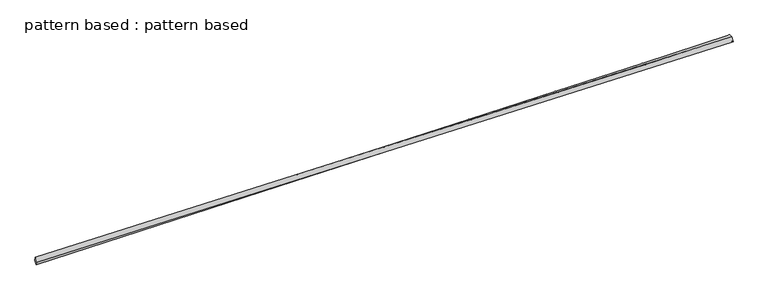
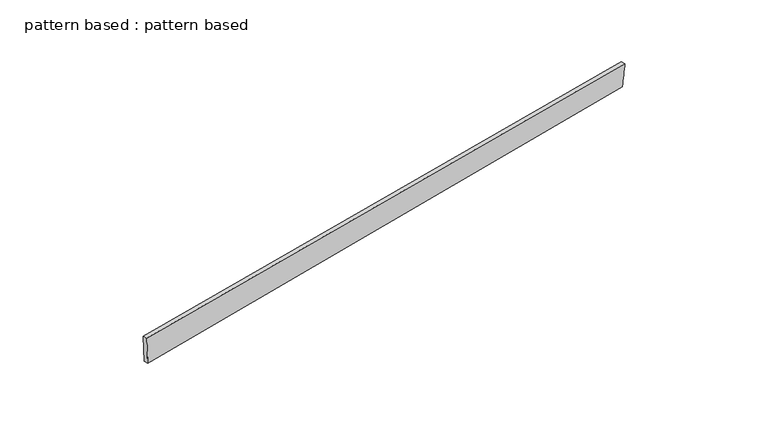
"""IFC4 building model written with IfcOpenShell, lengths in millimetres: plate geometry, pattern based : pattern based."""

from ifc_helpers import new_model, si_unit, frame, origin, place, context, project, spatial, source, transform, mapped, element, save
from ifc_brep_helpers import plane_surface, spline_surface, advanced_brep


def pattern_based_pattern_based_3a6ccaf8(model_context):
    return source(origin(), model_context, "Body", "AdvancedBrep", [
        advanced_brep(
        [(3071.7875895, 3071.7875895, 79.5759767), (3074.3331861, 3085.1066663, 228.9617931), (3066.7105927, 3108.9160827, 229.0499068), (3064.1649962, 3095.5970059, 79.6640904), (6573.5467233, 4192.9182267, 68.4921965), (6565.9241299, 4216.727643, 68.5803102), (6563.3379961, 4203.2593556, -80.8022874), (6555.7154028, 4227.068772, -80.7141737)],
        [
            (0, 1),
            (1, 2),
            (2, 3),
            (3, 0),
            (1, 4),
            (4, 5),
            (5, 2),
            (4, 6),
            (6, 7),
            (7, 5),
            (6, 0),
            (3, 7),
        ],
        [
            plane_surface(frame((3073.0603878, 3078.4471279, 154.2688849), z_axis=(-0.9514391813211243, -0.30476416243880095, 0.04338536089472214), x_axis=(0.01697064353579343, 0.08879384514707418, 0.9959054424602661))),
            plane_surface(frame((4823.9399547, 3639.0124465, 148.7269948), z_axis=(0.04266126283329706, 0.009960780257586352, 0.9990399388964029), x_axis=(0.9524537614165358, 0.3015361241607222, -0.04367834920898735))),
            plane_surface(frame((6568.4423597, 4198.0887912, -6.1550454), z_axis=(0.9514151564142905, 0.3047585529748097, -0.04394797531026419), x_axis=(-0.06805818130206412, 0.06894085947498438, -0.9952965597512663))),
            plane_surface(frame((4817.5627928, 3637.5234726, -0.6131554), z_axis=(-0.042661262833297964, -0.009960780257586644, -0.9990399388964031), x_axis=(-0.9503897042558097, -0.3079832715898113, 0.043654489636133186))),
            spline_surface(1, 1, [[(3066.7105927, 3108.9160827, 229.0499068), (3064.1649962, 3095.5970059, 79.6640904)], [(6565.9241299, 4216.727643, 68.5803102), (6555.7154028, 4227.068772, -80.7141737)]], [2, 2], [2, 2], [0.0, 1.0], [0.0, 1.0]),
            spline_surface(1, 1, [[(6563.3379961, 4203.2593556, -80.8022874), (3071.7875895, 3071.7875895, 79.5759767)], [(6573.5467233, 4192.9182267, 68.4921965), (3074.3331861, 3085.1066663, 228.9617931)]], [2, 2], [2, 2], [0.0, 1.0], [0.0, 1.0]),
        ],
        [
            (0, [[1, 2, 3, 4]]),
            (1, [[5, 6, 7, -2]]),
            (2, [[8, 9, 10, -6]]),
            (3, [[11, -4, 12, -9]]),
            (4, [[-3, -7, -10, -12]]),
            (5, [[-11, -8, -5, -1]]),
        ],
    ),
    ])


if __name__ == "__main__":
    model = new_model("IFC4")
    model_context = context("Model", 3, world=origin())
    ifc_project = project(units=[si_unit("LENGTHUNIT", "METRE", prefix="MILLI")], contexts=[model_context])
    site = spatial("IfcSite", under=ifc_project)
    building = spatial("IfcBuilding", under=site)
    placement = place(None, origin())
    pattern_based_pattern_based_shape = pattern_based_pattern_based_3a6ccaf8(model_context)
    element("IfcPlate", 1, ObjectType="pattern based : pattern based", at=placement, inside=building, context=model_context, shape_type="MappedRepresentation", body=[
        mapped(pattern_based_pattern_based_shape, transform((0.0, 0.0, 0.0), x_axis=(1.0, 0.0, 0.0), y_axis=(0.0, 1.0, 0.0), z_axis=(0.0, 0.0, 1.0))),
    ])
    save(model, "model.ifc")
